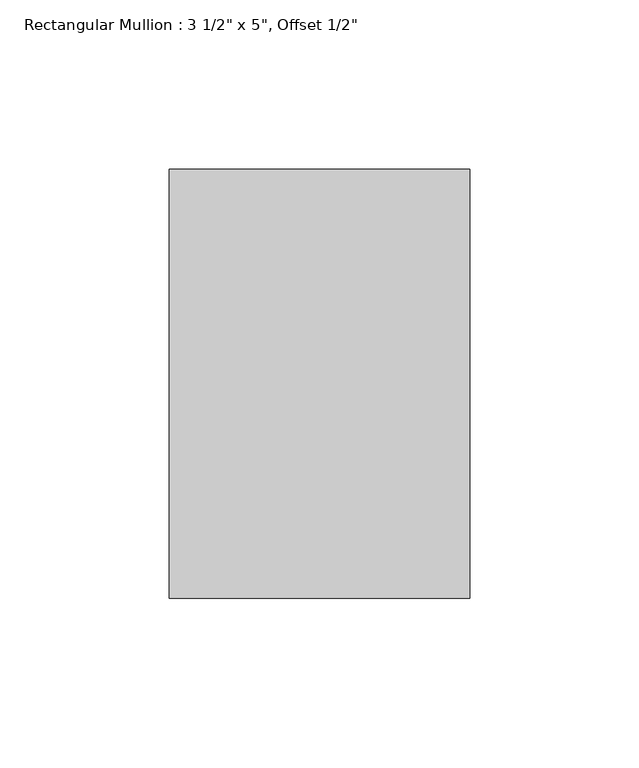
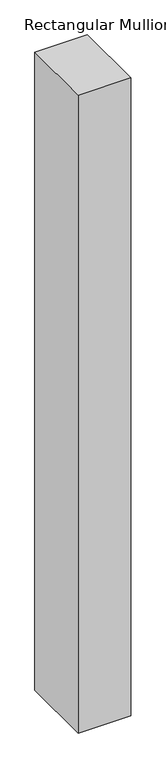
"""IFC4 building model written with IfcOpenShell, lengths in millimetres: member geometry."""

from ifc_helpers import new_model, si_unit, frame, origin, place, context, project, spatial, polyline, outline, extrude, source, transform, mapped, element, save


def member_ac513f4d(model_context):
    return source(origin(), model_context, "Body", "SweptSolid", [
        extrude(outline(polyline([(0.0, 50.8), (0.0, -76.2), (-88.9, -76.2), (-88.9, 50.8), (0.0, 50.8)])), frame((0.0, 0.0, -1140.8833333), z_axis=(0.0, 0.0, 1.0), x_axis=(1.0, 0.0, 0.0)), (0.0, 0.0, 1.0), 1140.8833333),
    ])


if __name__ == "__main__":
    model = new_model("IFC4")
    model_context = context("Model", 3, world=origin())
    ifc_project = project(units=[si_unit("LENGTHUNIT", "METRE", prefix="MILLI")], contexts=[model_context])
    site = spatial("IfcSite", under=ifc_project)
    building = spatial("IfcBuilding", under=site)
    placement = place(None, origin())
    member_shape = member_ac513f4d(model_context)
    element("IfcMember", 1, ObjectType="Rectangular Mullion : 3 1/2\" x 5\", Offset 1/2\"", at=placement, inside=building, context=model_context, shape_type="MappedRepresentation", body=[
        mapped(member_shape, transform((0.0, 0.0, 0.0), x_axis=(1.0, 0.0, 0.0), y_axis=(0.0, 1.0, 0.0), z_axis=(0.0, 0.0, 1.0))),
    ])
    save(model, "model.ifc")
